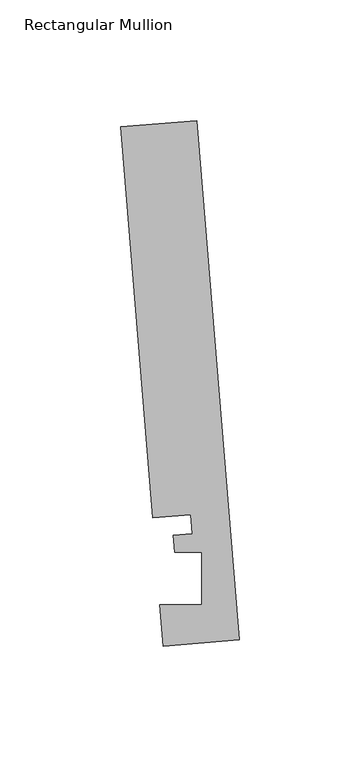
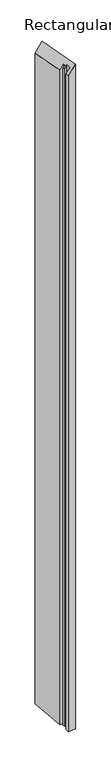
"""IFC4 building model written with IfcOpenShell, lengths in millimetres: member geometry, Rectangular Mullion."""

from ifc_helpers import new_model, si_unit, origin, place, context, project, spatial, faceted_brep, source, transform, mapped, element, save


def rectangular_mullion_1a030bd4(model_context):
    return source(origin(), model_context, "Body", "Brep", [
        faceted_brep([(-17.8927766, 218.100182, -23.0103054), (-0.2190396, 2.6699364, -0.2816873), (-0.2190396, 2.6699364, -2985.2366876), (-17.8927766, 218.100182, -2985.2366876), (-49.5364672, 215.5041572, -63.7044358), (-49.5364672, 215.5041572, -2985.2366876), (-36.2302824, 53.3112566, -46.5925373), (-36.2302824, 53.3112566, -2985.2366876), (-20.4084371, 54.6092691, -26.2454721), (-20.4084371, 54.6092691, -2985.2366876), (-19.7625461, 46.7363188, -25.4148493), (-19.7625461, 46.7363188, -2985.2366876), (-27.6861262, 46.0862742, -35.6046595), (-27.6861262, 46.0862742, -2985.2366876), (-27.100463, 38.9474576, -34.8514903), (-27.100463, 38.9474576, -2985.2366876), (-15.848851, 38.9474576, -20.3817948), (-15.848851, 38.9474576, -2985.2366876), (-15.8506254, 17.315866, -20.3840768), (-15.8506254, 17.315866, -2985.2366876), (-33.2772473, 17.315866, -42.7949021), (-33.2772473, 17.315866, -2985.2366876), (-31.8627302, 0.0739116, -40.9758177), (-31.8627302, 0.0739116, -2985.2366876)], [[[0, 1, 2, 3]], [[4, 0, 3, 5]], [[6, 4, 5, 7]], [[8, 6, 7, 9]], [[10, 8, 9, 11]], [[12, 10, 11, 13]], [[14, 12, 13, 15]], [[16, 14, 15, 17]], [[18, 16, 17, 19]], [[20, 18, 19, 21]], [[22, 20, 21, 23]], [[1, 22, 23, 2]], [[1, 0, 4, 6, 8, 10, 12, 14, 16, 18, 20, 22]], [[2, 23, 21, 19, 17, 15, 13, 11, 9, 7, 5, 3]]]),
    ])


if __name__ == "__main__":
    model = new_model("IFC4")
    model_context = context("Model", 3, world=origin())
    ifc_project = project(units=[si_unit("LENGTHUNIT", "METRE", prefix="MILLI")], contexts=[model_context])
    site = spatial("IfcSite", under=ifc_project)
    building = spatial("IfcBuilding", under=site)
    placement = place(None, origin())
    rectangular_mullion_shape = rectangular_mullion_1a030bd4(model_context)
    element("IfcMember", 1, ObjectType="Rectangular Mullion", at=placement, inside=building, context=model_context, shape_type="MappedRepresentation", body=[
        mapped(rectangular_mullion_shape, transform((0.0, 0.0, 0.0), x_axis=(1.0, 0.0, 0.0), y_axis=(0.0, 1.0, 0.0), z_axis=(0.0, 0.0, 1.0))),
    ])
    save(model, "model.ifc")
